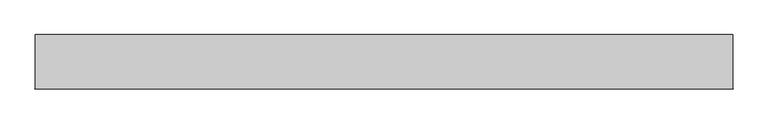
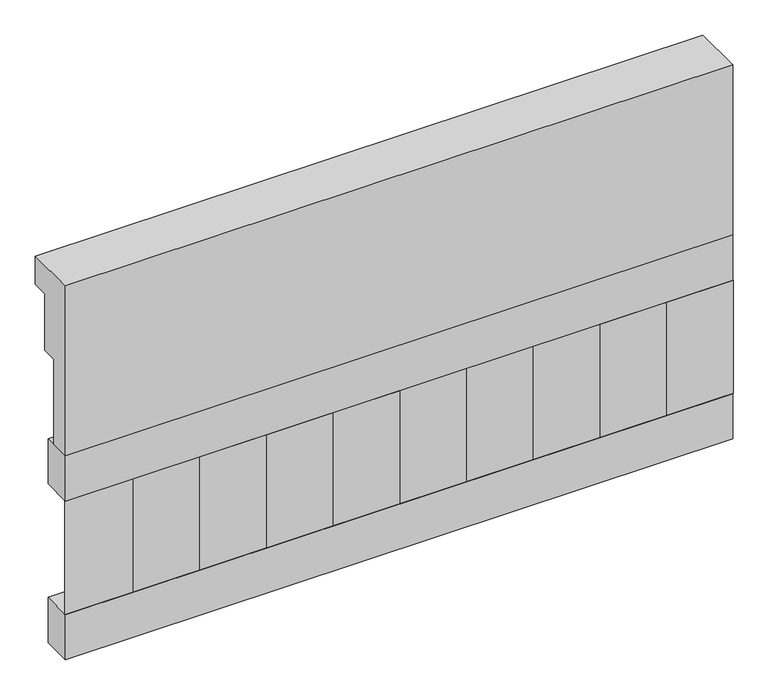
"""IFC4 building model written with IfcOpenShell, lengths in millimetres: railing geometry."""

from ifc_helpers import new_model, si_unit, frame, origin, place, context, project, spatial, polyline, outline, extrude, source, transform, mapped, element, save


def railing_29d4f47a(model_context):
    return source(origin(), model_context, "Body", "SweptSolid", [
        extrude(outline(polyline([(903.1079487, 25100.0), (1033.1079487, 25100.0), (1033.1079487, 25025.0), (993.1079487, 25025.0), (993.1079487, 24875.0), (953.1079487, 24875.0), (953.1079487, 24650.0), (903.1079487, 24650.0), (903.1079487, 25100.0)])), frame((-2009.9887159, 0.0, 0.0), z_axis=(1.0, 0.0, 0.0), x_axis=(0.0, 1.0, 0.0)), (0.0, 0.0, 1.0), 1670.0),
        extrude(outline(polyline([(-339.9887159, 978.1079487), (-339.9887159, 903.1079487), (-2009.9887159, 903.1079487), (-2009.9887159, 978.1079487), (-339.9887159, 978.1079487)])), frame((0.0, 0.0, 24530.0), z_axis=(0.0, 0.0, 1.0), x_axis=(1.0, 0.0, 0.0)), (0.0, 0.0, 1.0), 120.0),
        extrude(outline(polyline([(-339.9887159, 978.1079487), (-339.9887159, 903.1079487), (-2009.9887159, 903.1079487), (-2009.9887159, 978.1079487), (-339.9887159, 978.1079487)])), frame((0.0, 0.0, 24110.0), z_axis=(0.0, 0.0, 1.0), x_axis=(1.0, 0.0, 0.0)), (0.0, 0.0, 1.0), 120.0),
        extrude(outline(polyline([(-1926.4887159, 987.9607624), (-1841.6359022, 903.1079487), (-2011.3415296, 903.1079487), (-1926.4887159, 987.9607624)])), frame((0.0, 0.0, 24230.0), z_axis=(0.0, 0.0, 1.0), x_axis=(1.0, 0.0, 0.0)), (0.0, 0.0, 1.0), 300.0),
        extrude(outline(polyline([(-1759.4887159, 987.9607624), (-1674.6359022, 903.1079487), (-1844.3415296, 903.1079487), (-1759.4887159, 987.9607624)])), frame((0.0, 0.0, 24230.0), z_axis=(0.0, 0.0, 1.0), x_axis=(1.0, 0.0, 0.0)), (0.0, 0.0, 1.0), 300.0),
        extrude(outline(polyline([(-1592.4887159, 987.9607624), (-1507.6359022, 903.1079487), (-1677.3415296, 903.1079487), (-1592.4887159, 987.9607624)])), frame((0.0, 0.0, 24230.0), z_axis=(0.0, 0.0, 1.0), x_axis=(1.0, 0.0, 0.0)), (0.0, 0.0, 1.0), 300.0),
        extrude(outline(polyline([(-1425.4887159, 987.9607624), (-1340.6359022, 903.1079487), (-1510.3415296, 903.1079487), (-1425.4887159, 987.9607624)])), frame((0.0, 0.0, 24230.0), z_axis=(0.0, 0.0, 1.0), x_axis=(1.0, 0.0, 0.0)), (0.0, 0.0, 1.0), 300.0),
        extrude(outline(polyline([(-1258.4887159, 987.9607624), (-1173.6359022, 903.1079487), (-1343.3415296, 903.1079487), (-1258.4887159, 987.9607624)])), frame((0.0, 0.0, 24230.0), z_axis=(0.0, 0.0, 1.0), x_axis=(1.0, 0.0, 0.0)), (0.0, 0.0, 1.0), 300.0),
        extrude(outline(polyline([(-1091.4887159, 987.9607624), (-1006.6359022, 903.1079487), (-1176.3415296, 903.1079487), (-1091.4887159, 987.9607624)])), frame((0.0, 0.0, 24230.0), z_axis=(0.0, 0.0, 1.0), x_axis=(1.0, 0.0, 0.0)), (0.0, 0.0, 1.0), 300.0),
        extrude(outline(polyline([(-924.4887159, 987.9607624), (-839.6359022, 903.1079487), (-1009.3415296, 903.1079487), (-924.4887159, 987.9607624)])), frame((0.0, 0.0, 24230.0), z_axis=(0.0, 0.0, 1.0), x_axis=(1.0, 0.0, 0.0)), (0.0, 0.0, 1.0), 300.0),
        extrude(outline(polyline([(-757.4887159, 987.9607624), (-672.6359022, 903.1079487), (-842.3415296, 903.1079487), (-757.4887159, 987.9607624)])), frame((0.0, 0.0, 24230.0), z_axis=(0.0, 0.0, 1.0), x_axis=(1.0, 0.0, 0.0)), (0.0, 0.0, 1.0), 300.0),
        extrude(outline(polyline([(-590.4887159, 987.9607624), (-505.6359022, 903.1079487), (-675.3415296, 903.1079487), (-590.4887159, 987.9607624)])), frame((0.0, 0.0, 24230.0), z_axis=(0.0, 0.0, 1.0), x_axis=(1.0, 0.0, 0.0)), (0.0, 0.0, 1.0), 300.0),
        extrude(outline(polyline([(-423.4887159, 987.9607624), (-338.6359022, 903.1079487), (-508.3415296, 903.1079487), (-423.4887159, 987.9607624)])), frame((0.0, 0.0, 24230.0), z_axis=(0.0, 0.0, 1.0), x_axis=(1.0, 0.0, 0.0)), (0.0, 0.0, 1.0), 300.0),
    ])


if __name__ == "__main__":
    model = new_model("IFC4")
    model_context = context("Model", 3, world=origin())
    ifc_project = project(units=[si_unit("LENGTHUNIT", "METRE", prefix="MILLI")], contexts=[model_context])
    site = spatial("IfcSite", under=ifc_project)
    building = spatial("IfcBuilding", under=site)
    placement = place(None, origin())
    railing_shape = railing_29d4f47a(model_context)
    element("IfcRailing", 1, at=placement, inside=building, context=model_context, shape_type="MappedRepresentation", body=[
        mapped(railing_shape, transform((0.0, 0.0, 0.0), x_axis=(1.0, 0.0, 0.0), y_axis=(0.0, 1.0, 0.0), z_axis=(0.0, 0.0, 1.0))),
    ])
    save(model, "model.ifc")
